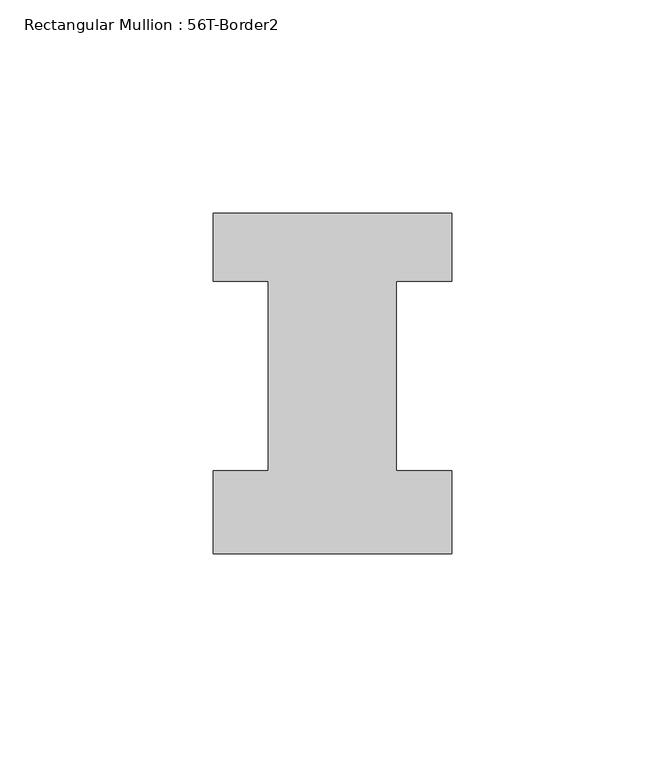
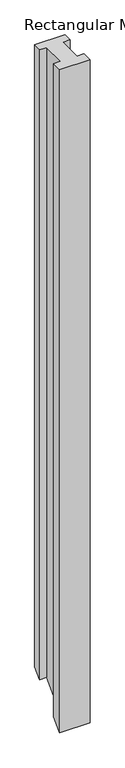
"""IFC4 building model written with IfcOpenShell, lengths in millimetres: member geometry, Rectangular Mullion : 56T-Border2."""

from ifc_helpers import new_model, si_unit, origin, place, context, project, spatial, faceted_brep, source, transform, mapped, element, save


def rectangular_mullion_56t_border2_375381b4(model_context):
    return source(origin(), model_context, "Body", "Brep", [
        faceted_brep([(0.0, -20.0, 0.0), (0.0, -0.5, 0.0), (-13.0, -0.5, 0.0), (-13.0, 44.0, 0.0), (0.0, 44.0, 0.0), (0.0, 60.0, 0.0), (-56.0, 60.0, 0.0), (-56.0, 44.0, 0.0), (-43.0, 44.0, 0.0), (-43.0, -0.5, 0.0), (-56.0, -0.5, 0.0), (-56.0, -20.0, 0.0), (0.0, -20.0, -1292.0), (0.0, -0.5, -1272.5), (-13.0, -0.5, -1272.5), (-13.0, 44.0, -1228.0), (0.0, 44.0, -1228.0), (0.0, 60.0, -1212.0), (-56.0, 60.0, -1212.0), (-56.0, 44.0, -1228.0), (-43.0, 44.0, -1228.0), (-43.0, -0.5, -1272.5), (-56.0, -0.5, -1272.5), (-56.0, -20.0, -1292.0)], [[[0, 1, 2, 3, 4, 5, 6, 7, 8, 9, 10, 11]], [[1, 0, 12, 13]], [[2, 1, 13, 14]], [[3, 2, 14, 15]], [[4, 3, 15, 16]], [[5, 4, 16, 17]], [[6, 5, 17, 18]], [[7, 6, 18, 19]], [[8, 7, 19, 20]], [[9, 8, 20, 21]], [[10, 9, 21, 22]], [[11, 10, 22, 23]], [[0, 11, 23, 12]], [[12, 23, 22, 21, 20, 19, 18, 17, 16, 15, 14, 13]]]),
    ])


if __name__ == "__main__":
    model = new_model("IFC4")
    model_context = context("Model", 3, world=origin())
    ifc_project = project(units=[si_unit("LENGTHUNIT", "METRE", prefix="MILLI")], contexts=[model_context])
    site = spatial("IfcSite", under=ifc_project)
    building = spatial("IfcBuilding", under=site)
    placement = place(None, origin())
    rectangular_mullion_56t_border2_shape = rectangular_mullion_56t_border2_375381b4(model_context)
    element("IfcMember", 1, ObjectType="Rectangular Mullion : 56T-Border2", at=placement, inside=building, context=model_context, shape_type="MappedRepresentation", body=[
        mapped(rectangular_mullion_56t_border2_shape, transform((0.0, 0.0, 0.0), x_axis=(1.0, 0.0, 0.0), y_axis=(0.0, 1.0, 0.0), z_axis=(0.0, 0.0, 1.0))),
    ])
    save(model, "model.ifc")
